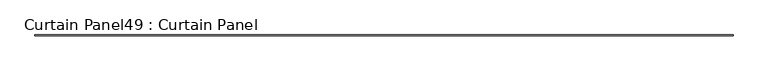
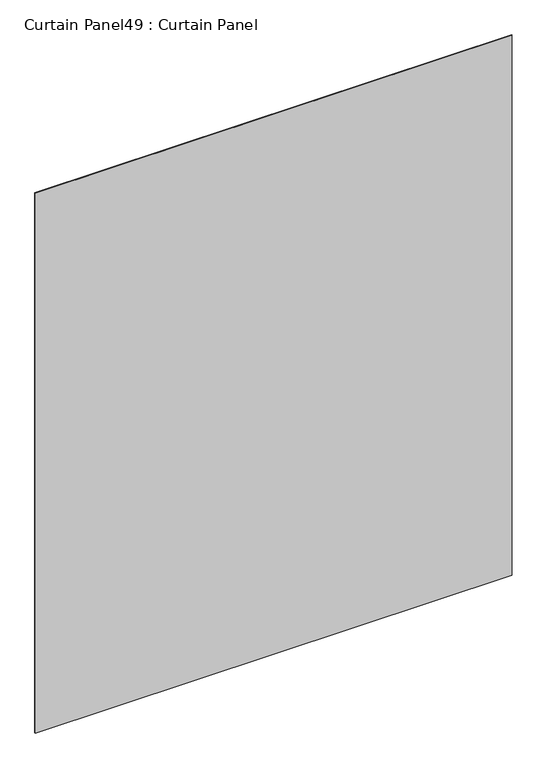
"""IFC4 building model written with IfcOpenShell, lengths in millimetres: plate geometry, Curtain Panel49 : Curtain Panel."""

from ifc_helpers import new_model, si_unit, frame, origin, place, context, project, spatial, polyline, outline, extrude, source, transform, mapped, element, save


def curtain_panel49_curtain_panel_5e96e793(model_context):
    return source(origin(), model_context, "Body", "SweptSolid", [
        extrude(outline(polyline([(31816.5304088, 1762.4010947), (26584.1304088, 1762.4010947), (26584.1304088, 1768.7510947), (31816.5304088, 1768.7510947), (31816.5304088, 1762.4010947)])), frame((0.0, 0.0, 1554.4234391), z_axis=(0.0, 0.0, 1.0), x_axis=(1.0, 0.0, 0.0)), (0.0, 0.0, 1.0), 6257.3339505),
    ])


if __name__ == "__main__":
    model = new_model("IFC4")
    model_context = context("Model", 3, world=origin())
    ifc_project = project(units=[si_unit("LENGTHUNIT", "METRE", prefix="MILLI")], contexts=[model_context])
    site = spatial("IfcSite", under=ifc_project)
    building = spatial("IfcBuilding", under=site)
    placement = place(None, origin())
    curtain_panel49_curtain_panel_shape = curtain_panel49_curtain_panel_5e96e793(model_context)
    element("IfcPlate", 1, ObjectType="Curtain Panel49 : Curtain Panel", at=placement, inside=building, context=model_context, shape_type="MappedRepresentation", body=[
        mapped(curtain_panel49_curtain_panel_shape, transform((0.0, 0.0, 0.0), x_axis=(1.0, 0.0, 0.0), y_axis=(0.0, 1.0, 0.0), z_axis=(0.0, 0.0, 1.0))),
    ])
    save(model, "model.ifc")
